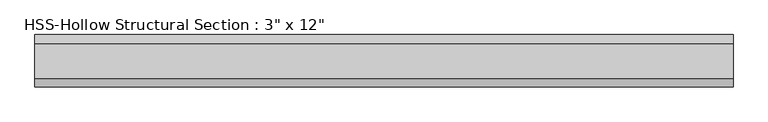
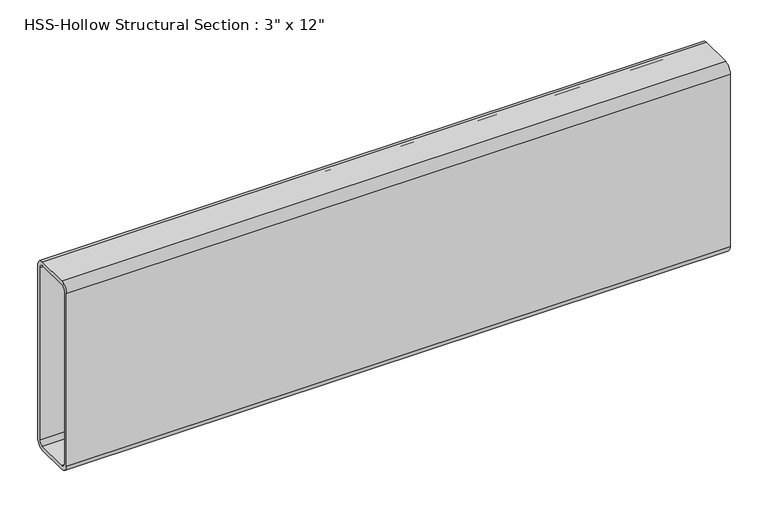
"""IFC4 building model written with IfcOpenShell, lengths in millimetres: beam geometry."""

from ifc_helpers import new_model, si_unit, point, frame, frame_2d, origin, place, context, project, spatial, polyline, circle_curve, trimmed, segment, composite_curve, outline, extrude, source, transform, mapped, element, save


def beam_c235856f(model_context):
    return source(origin(), model_context, "Body", "SweptSolid", [
        extrude(outline(composite_curve([segment(polyline([(38.1, 139.7), (38.1, -139.7)]), True, "CONTINUOUS"), segment(trimmed(circle_curve(frame_2d((25.4, -139.7)), 12.7), [point((38.1, -139.7))], [point((25.4, -152.4))], False, "CARTESIAN"), True, "CONTINUOUS"), segment(polyline([(25.4, -152.4), (-25.4, -152.4)]), True, "CONTINUOUS"), segment(trimmed(circle_curve(frame_2d((-25.4, -139.7)), 12.7), [point((-25.4, -152.4))], [point((-38.1, -139.7))], False, "CARTESIAN"), True, "CONTINUOUS"), segment(polyline([(-38.1, -139.7), (-38.1, 139.7)]), True, "CONTINUOUS"), segment(trimmed(circle_curve(frame_2d((-25.4, 139.7)), 12.7), [point((-38.1, 139.7))], [point((-25.4, 152.4))], False, "CARTESIAN"), True, "CONTINUOUS"), segment(polyline([(-25.4, 152.4), (25.4, 152.4)]), True, "CONTINUOUS"), segment(trimmed(circle_curve(frame_2d((25.4, 139.7)), 12.7), [point((25.4, 152.4))], [point((38.1, 139.7))], False, "CARTESIAN"), True, "CONTINUOUS")], self_intersect=False), holes=[composite_curve([segment(trimmed(circle_curve(frame_2d((-25.4, 139.7)), 6.35), [point((-25.4, 146.05))], [point((-31.75, 139.7))], True, "CARTESIAN"), True, "CONTINUOUS"), segment(polyline([(-31.75, 139.7), (-31.75, -139.7)]), True, "CONTINUOUS"), segment(trimmed(circle_curve(frame_2d((-25.4, -139.7)), 6.35), [point((-31.75, -139.7))], [point((-25.4, -146.05))], True, "CARTESIAN"), True, "CONTINUOUS"), segment(polyline([(-25.4, -146.05), (25.4, -146.05)]), True, "CONTINUOUS"), segment(trimmed(circle_curve(frame_2d((25.4, -139.7)), 6.35), [point((25.4, -146.05))], [point((31.75, -139.7))], True, "CARTESIAN"), True, "CONTINUOUS"), segment(polyline([(31.75, -139.7), (31.75, 139.7)]), True, "CONTINUOUS"), segment(trimmed(circle_curve(frame_2d((25.4, 139.7)), 6.35), [point((31.75, 139.7))], [point((25.4, 146.05))], True, "CARTESIAN"), True, "CONTINUOUS"), segment(polyline([(25.4, 146.05), (-25.4, 146.05)]), True, "CONTINUOUS")], self_intersect=False)]), frame((-508.2224258, 0.0, 0.0), z_axis=(1.0, 0.0, 0.0), x_axis=(0.0, 1.0, 0.0)), (0.0, 0.0, 1.0), 1016.4448516),
    ])


if __name__ == "__main__":
    model = new_model("IFC4")
    model_context = context("Model", 3, world=origin())
    ifc_project = project(units=[si_unit("LENGTHUNIT", "METRE", prefix="MILLI")], contexts=[model_context])
    site = spatial("IfcSite", under=ifc_project)
    building = spatial("IfcBuilding", under=site)
    placement = place(None, origin())
    beam_shape = beam_c235856f(model_context)
    element("IfcBeam", 1, ObjectType="HSS-Hollow Structural Section : 3\" x 12\"", at=placement, inside=building, context=model_context, shape_type="MappedRepresentation", body=[
        mapped(beam_shape, transform((0.0, 0.0, 0.0), x_axis=(1.0, 0.0, 0.0), y_axis=(0.0, 1.0, 0.0), z_axis=(0.0, 0.0, 1.0))),
    ])
    save(model, "model.ifc")
